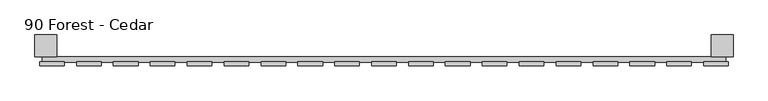
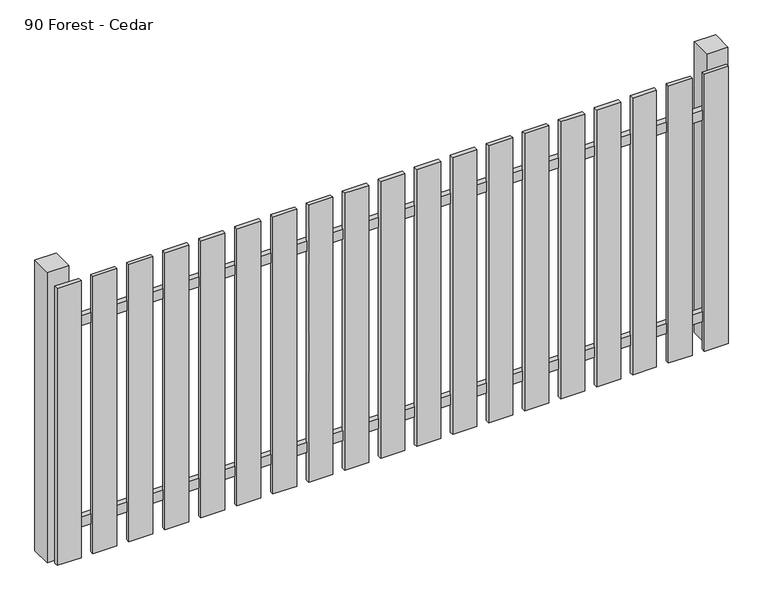
"""IFC4 building model written with IfcOpenShell, lengths in millimetres: railing geometry, 90 Forest - Cedar."""

import ifcopenshell
import ifcopenshell.guid

model = None  # the IFC model being written
_history = None  # IfcOwnerHistory: only IFC2X3 demands one
_inside = {}  # id of a spatial element -> (the spatial element, [elements in it])
_under = {}  # id of a project, library or spatial element -> (it, [spatial elements below it])
_declared = {}  # id of a project -> (the project, [libraries it declares])
_typed = {}  # id of a type object -> (the type object, [elements of that type])
_made_of = {}  # id of a material, layer set ... -> (it, [elements and type objects made of it])


def new_model(schema):
    """Start an empty IFC model of exactly this schema.

    Asked for "IFC4X3", IfcOpenShell would pick the latest addendum, in which some entities
    have other attributes; the version numbers below select the first issue.
    IFC2X3 requires an IfcOwnerHistory on every rooted entity: one is made here for all.
    """
    global model, _history
    if schema == "IFC4X3":
        model = ifcopenshell.file(schema_version=(4, 3, 0, 0))
    else:
        model = ifcopenshell.file(schema=schema)
    _inside.clear()
    _under.clear()
    _declared.clear()
    _typed.clear()
    _made_of.clear()
    _history = None
    if model.schema == "IFC2X3":
        org = make("IfcOrganization", Name="unknown")
        user = make(
            "IfcPersonAndOrganization",
            ThePerson=make("IfcPerson", FamilyName="unknown"),
            TheOrganization=org,
        )
        app = make(
            "IfcApplication",
            ApplicationDeveloper=org,
            Version="unknown",
            ApplicationFullName="unknown",
            ApplicationIdentifier="unknown",
        )
        _history = make(
            "IfcOwnerHistory",
            OwningUser=user,
            OwningApplication=app,
            ChangeAction="ADDED",
            CreationDate=0,
        )
    return model


def make(cls, **values):
    """One entity of the class cls with the attributes given. An attribute that is None is left unset."""
    return model.create_entity(
        cls, **{name: value for name, value in values.items() if value is not None}
    )


def rooted(cls, **values):
    """An entity with a GlobalId (a new one), such as an element, a storey or a relation."""
    return make(cls, GlobalId=ifcopenshell.guid.new(), OwnerHistory=_history, **values)


def si_unit(unit_type, name, prefix=None):
    """IfcSIUnit, for example si_unit("LENGTHUNIT", "METRE", prefix="MILLI")."""
    return make("IfcSIUnit", UnitType=unit_type, Prefix=prefix, Name=name)


def assignment(units):
    """IfcUnitAssignment: the units of a project."""
    return None if units is None else make("IfcUnitAssignment", Units=units)


def point(xyz):
    """IfcCartesianPoint."""
    return None if xyz is None else make("IfcCartesianPoint", Coordinates=xyz)


def direction(xyz):
    """IfcDirection."""
    return None if xyz is None else make("IfcDirection", DirectionRatios=xyz)


def frame(location, z_axis=None, x_axis=None):
    """IfcAxis2Placement3D, a coordinate frame: its origin and axes. An axis left out is left unset."""
    return make(
        "IfcAxis2Placement3D",
        Location=point(location),
        Axis=direction(z_axis),
        RefDirection=direction(x_axis),
    )


def origin():
    """The frame at (0, 0, 0) with its axes left unset."""
    return frame((0.0, 0.0, 0.0))


def origin_with_axes():
    """The frame at (0, 0, 0) with the z axis (0, 0, 1) and the x axis (1, 0, 0) written out."""
    return frame((0.0, 0.0, 0.0), z_axis=(0.0, 0.0, 1.0), x_axis=(1.0, 0.0, 0.0))


def place(relative_to, where):
    """IfcLocalPlacement: puts the frame where relative to a parent placement (None: the world)."""
    return make(
        "IfcLocalPlacement", PlacementRelTo=relative_to, RelativePlacement=where
    )


def context(
    kind, dimensions, precision=None, world=None, true_north=None, identifier=None
):
    """IfcGeometricRepresentationContext, for example the 3D "Model" context."""
    return make(
        "IfcGeometricRepresentationContext",
        ContextIdentifier=identifier,
        ContextType=kind,
        CoordinateSpaceDimension=dimensions,
        Precision=precision,
        WorldCoordinateSystem=world,
        TrueNorth=true_north,
    )


def project(units=None, contexts=None):
    """IfcProject with its units and contexts."""
    return rooted(
        "IfcProject",
        Name="project",
        RepresentationContexts=contexts,
        UnitsInContext=assignment(units),
    )


def spatial(cls, under=None, at=None, **own):
    """A site, building, storey or space (cls), placed at a placement, below another one or the project."""
    s = rooted(cls, ObjectPlacement=at, **own)
    if under is not None:
        _under.setdefault(under.id(), (under, []))[1].append(s)
    return s


def polyline(points):
    """IfcPolyline through the points."""
    return make("IfcPolyline", Points=[point(p) for p in points])


def outline(outer, holes=None, kind="AREA"):
    """IfcArbitraryClosedProfileDef: a profile drawn as a closed curve; with holes, ...WithVoids."""
    if holes is None:
        return make("IfcArbitraryClosedProfileDef", ProfileType=kind, OuterCurve=outer)
    return make(
        "IfcArbitraryProfileDefWithVoids",
        ProfileType=kind,
        OuterCurve=outer,
        InnerCurves=holes,
    )


def extrude(swept, where, along, depth):
    """IfcExtrudedAreaSolid: the profile swept, set in the frame where, extruded along a direction by depth."""
    return make(
        "IfcExtrudedAreaSolid",
        SweptArea=swept,
        Position=where,
        ExtrudedDirection=direction(along),
        Depth=depth,
    )


def shape(context_of_items, identifier, shape_type, items):
    """IfcShapeRepresentation: the items that make up one representation, for example the "Body"."""
    return make(
        "IfcShapeRepresentation",
        ContextOfItems=context_of_items,
        RepresentationIdentifier=identifier,
        RepresentationType=shape_type,
        Items=items,
    )


def source(mapping_origin, context_of_items, identifier, shape_type, items):
    """IfcRepresentationMap: a shape defined once, which mapped items show again and again."""
    return make(
        "IfcRepresentationMap",
        MappingOrigin=mapping_origin,
        MappedRepresentation=shape(context_of_items, identifier, shape_type, items),
    )


def transform(
    local_origin,
    x_axis=None,
    y_axis=None,
    z_axis=None,
    scale=None,
    scale2=None,
    scale3=None,
    uniform=True,
):
    """IfcCartesianTransformationOperator3D, or its non-uniform kind. x_axis, y_axis, z_axis: its Axis1, 2, 3."""
    if uniform:
        return make(
            "IfcCartesianTransformationOperator3D",
            Axis1=direction(x_axis),
            Axis2=direction(y_axis),
            LocalOrigin=point(local_origin),
            Scale=scale,
            Axis3=direction(z_axis),
        )
    return make(
        "IfcCartesianTransformationOperator3DnonUniform",
        Axis1=direction(x_axis),
        Axis2=direction(y_axis),
        LocalOrigin=point(local_origin),
        Scale=scale,
        Axis3=direction(z_axis),
        Scale2=scale2,
        Scale3=scale3,
    )


def mapped(mapping_source, mapping_target):
    """IfcMappedItem: shows the shape of a source again, moved by a transform."""
    return make(
        "IfcMappedItem", MappingSource=mapping_source, MappingTarget=mapping_target
    )


def made_of(thing, what):
    """Note that an element or type object is made of a material, layer set ...; save() writes the relation."""
    if what is not None:
        _made_of.setdefault(what.id(), (what, []))[1].append(thing)
    return thing


def element(
    cls,
    number,
    at=None,
    inside=None,
    cuts=None,
    type_object=None,
    material=None,
    context=None,
    identifier="Body",
    shape_type=None,
    held_by="IfcProductDefinitionShape",
    body=None,
    shapes=None,
    **own,
):
    """One element of the class cls, such as IfcWall. Its Tag is "e" and its number.

    at: its placement. inside: the storey or other place that contains it. cuts: it is an
    opening in that element (IfcRelVoidsElement). A single representation is given by context,
    identifier, shape_type and body (its items); several are given by shapes. held_by: the class
    of the entity that holds the representations. save() writes the other relations.
    """
    e = rooted(cls, Tag="e%d" % number, ObjectPlacement=at, **own)
    if body is not None:
        shapes = [shape(context, identifier, shape_type, body)]
    if shapes is not None:
        e.Representation = make(held_by, Representations=shapes)
    if inside is not None:
        _inside.setdefault(inside.id(), (inside, []))[1].append(e)
    if cuts is not None:
        rooted(
            "IfcRelVoidsElement", RelatingBuildingElement=cuts, RelatedOpeningElement=e
        )
    if type_object is not None:
        _typed.setdefault(type_object.id(), (type_object, []))[1].append(e)
    return made_of(e, material)


def aggregate(whole, parts):
    """IfcRelAggregates: a whole, such as a stair, and the parts it consists of."""
    return rooted("IfcRelAggregates", RelatingObject=whole, RelatedObjects=parts)


def save(model, path):
    """Write the relations noted so far, then the file.

    IfcRelAggregates (storeys below a building ...), IfcRelContainedInSpatialStructure (elements
    in a storey), IfcRelDefinesByType, IfcRelAssociatesMaterial and IfcRelDeclares: one each for
    every whole, place, type object, material and project.
    """
    for whole, parts in _under.values():
        aggregate(whole, parts)
    for where, things in _inside.values():
        rooted(
            "IfcRelContainedInSpatialStructure",
            RelatedElements=things,
            RelatingStructure=where,
        )
    for kind, things in _typed.values():
        rooted("IfcRelDefinesByType", RelatedObjects=things, RelatingType=kind)
    for what, things in _made_of.values():
        rooted("IfcRelAssociatesMaterial", RelatedObjects=things, RelatingMaterial=what)
    for by, libraries in _declared.values():
        rooted("IfcRelDeclares", RelatingContext=by, RelatedDefinitions=libraries)
    model.write(path)


def railing_90_forest_cedar_a9b18a58(model_context):
    return source(origin(), model_context, "Body", "SweptSolid", [
        extrude(outline(polyline([(1287.4299228, -81939.0267127), (1287.4299228, -81919.0267127), (3787.4299228, -81919.0267127), (3787.4299228, -81939.0267127), (1287.4299228, -81939.0267127)])), frame((0.0, 0.0, 110.0), z_axis=(0.0, 0.0, 1.0), x_axis=(1.0, 0.0, 0.0)), (0.0, 0.0, 1.0), 40.0),
        extrude(outline(polyline([(1287.4299228, -81939.0267127), (1287.4299228, -81919.0267127), (3787.4299228, -81919.0267127), (3787.4299228, -81939.0267127), (1287.4299228, -81939.0267127)])), frame((0.0, 0.0, 910.0), z_axis=(0.0, 0.0, 1.0), x_axis=(1.0, 0.0, 0.0)), (0.0, 0.0, 1.0), 40.0),
        extrude(outline(polyline([(3707.4299228, -81952.5267127), (3707.4299228, -81937.5267127), (3797.4299228, -81937.5267127), (3797.4299228, -81952.5267127), (3707.4299228, -81952.5267127)])), origin_with_axes(), (0.0, 0.0, 1.0), 1100.0),
        extrude(outline(polyline([(3572.4299228, -81952.5267127), (3572.4299228, -81937.5267127), (3662.4299228, -81937.5267127), (3662.4299228, -81952.5267127), (3572.4299228, -81952.5267127)])), origin_with_axes(), (0.0, 0.0, 1.0), 1100.0),
        extrude(outline(polyline([(3437.4299228, -81952.5267127), (3437.4299228, -81937.5267127), (3527.4299228, -81937.5267127), (3527.4299228, -81952.5267127), (3437.4299228, -81952.5267127)])), origin_with_axes(), (0.0, 0.0, 1.0), 1100.0),
        extrude(outline(polyline([(3302.4299228, -81952.5267127), (3302.4299228, -81937.5267127), (3392.4299228, -81937.5267127), (3392.4299228, -81952.5267127), (3302.4299228, -81952.5267127)])), origin_with_axes(), (0.0, 0.0, 1.0), 1100.0),
        extrude(outline(polyline([(3167.4299228, -81952.5267127), (3167.4299228, -81937.5267127), (3257.4299228, -81937.5267127), (3257.4299228, -81952.5267127), (3167.4299228, -81952.5267127)])), origin_with_axes(), (0.0, 0.0, 1.0), 1100.0),
        extrude(outline(polyline([(3032.4299228, -81952.5267127), (3032.4299228, -81937.5267127), (3122.4299228, -81937.5267127), (3122.4299228, -81952.5267127), (3032.4299228, -81952.5267127)])), origin_with_axes(), (0.0, 0.0, 1.0), 1100.0),
        extrude(outline(polyline([(2897.4299228, -81952.5267127), (2897.4299228, -81937.5267127), (2987.4299228, -81937.5267127), (2987.4299228, -81952.5267127), (2897.4299228, -81952.5267127)])), origin_with_axes(), (0.0, 0.0, 1.0), 1100.0),
        extrude(outline(polyline([(2762.4299228, -81952.5267127), (2762.4299228, -81937.5267127), (2852.4299228, -81937.5267127), (2852.4299228, -81952.5267127), (2762.4299228, -81952.5267127)])), origin_with_axes(), (0.0, 0.0, 1.0), 1100.0),
        extrude(outline(polyline([(2627.4299228, -81952.5267127), (2627.4299228, -81937.5267127), (2717.4299228, -81937.5267127), (2717.4299228, -81952.5267127), (2627.4299228, -81952.5267127)])), origin_with_axes(), (0.0, 0.0, 1.0), 1100.0),
        extrude(outline(polyline([(2492.4299228, -81952.5267127), (2492.4299228, -81937.5267127), (2582.4299228, -81937.5267127), (2582.4299228, -81952.5267127), (2492.4299228, -81952.5267127)])), origin_with_axes(), (0.0, 0.0, 1.0), 1100.0),
        extrude(outline(polyline([(2357.4299228, -81952.5267127), (2357.4299228, -81937.5267127), (2447.4299228, -81937.5267127), (2447.4299228, -81952.5267127), (2357.4299228, -81952.5267127)])), origin_with_axes(), (0.0, 0.0, 1.0), 1100.0),
        extrude(outline(polyline([(2222.4299228, -81952.5267127), (2222.4299228, -81937.5267127), (2312.4299228, -81937.5267127), (2312.4299228, -81952.5267127), (2222.4299228, -81952.5267127)])), origin_with_axes(), (0.0, 0.0, 1.0), 1100.0),
        extrude(outline(polyline([(2087.4299228, -81952.5267127), (2087.4299228, -81937.5267127), (2177.4299228, -81937.5267127), (2177.4299228, -81952.5267127), (2087.4299228, -81952.5267127)])), origin_with_axes(), (0.0, 0.0, 1.0), 1100.0),
        extrude(outline(polyline([(1952.4299228, -81952.5267127), (1952.4299228, -81937.5267127), (2042.4299228, -81937.5267127), (2042.4299228, -81952.5267127), (1952.4299228, -81952.5267127)])), origin_with_axes(), (0.0, 0.0, 1.0), 1100.0),
        extrude(outline(polyline([(1817.4299228, -81952.5267127), (1817.4299228, -81937.5267127), (1907.4299228, -81937.5267127), (1907.4299228, -81952.5267127), (1817.4299228, -81952.5267127)])), origin_with_axes(), (0.0, 0.0, 1.0), 1100.0),
        extrude(outline(polyline([(1682.4299228, -81952.5267127), (1682.4299228, -81937.5267127), (1772.4299228, -81937.5267127), (1772.4299228, -81952.5267127), (1682.4299228, -81952.5267127)])), origin_with_axes(), (0.0, 0.0, 1.0), 1100.0),
        extrude(outline(polyline([(1547.4299228, -81952.5267127), (1547.4299228, -81937.5267127), (1637.4299228, -81937.5267127), (1637.4299228, -81952.5267127), (1547.4299228, -81952.5267127)])), origin_with_axes(), (0.0, 0.0, 1.0), 1100.0),
        extrude(outline(polyline([(1412.4299228, -81952.5267127), (1412.4299228, -81937.5267127), (1502.4299228, -81937.5267127), (1502.4299228, -81952.5267127), (1412.4299228, -81952.5267127)])), origin_with_axes(), (0.0, 0.0, 1.0), 1100.0),
        extrude(outline(polyline([(1277.4299228, -81952.5267127), (1277.4299228, -81937.5267127), (1367.4299228, -81937.5267127), (1367.4299228, -81952.5267127), (1277.4299228, -81952.5267127)])), origin_with_axes(), (0.0, 0.0, 1.0), 1100.0),
        extrude(outline(polyline([(3734.9299228, -81839.0267127), (3814.9299228, -81839.0267127), (3814.9299228, -81919.0267127), (3734.9299228, -81919.0267127), (3734.9299228, -81839.0267127)])), frame((0.0, 0.0, -4.0), z_axis=(0.0, 0.0, 1.0), x_axis=(1.0, 0.0, 0.0)), (0.0, 0.0, 1.0), 1154.0),
        extrude(outline(polyline([(1259.9299228, -81839.0267127), (1339.9299228, -81839.0267127), (1339.9299228, -81919.0267127), (1259.9299228, -81919.0267127), (1259.9299228, -81839.0267127)])), frame((0.0, 0.0, -4.0), z_axis=(0.0, 0.0, 1.0), x_axis=(1.0, 0.0, 0.0)), (0.0, 0.0, 1.0), 1154.0),
    ])


if __name__ == "__main__":
    model = new_model("IFC4")
    model_context = context("Model", 3, world=origin())
    ifc_project = project(units=[si_unit("LENGTHUNIT", "METRE", prefix="MILLI")], contexts=[model_context])
    site = spatial("IfcSite", under=ifc_project)
    building = spatial("IfcBuilding", under=site)
    placement = place(None, origin())
    railing_90_forest_cedar_shape = railing_90_forest_cedar_a9b18a58(model_context)
    element("IfcRailing", 1, ObjectType="90 Forest - Cedar", at=placement, inside=building, context=model_context, shape_type="MappedRepresentation", body=[
        mapped(railing_90_forest_cedar_shape, transform((0.0, 0.0, 0.0), x_axis=(1.0, 0.0, 0.0), y_axis=(0.0, 1.0, 0.0), z_axis=(0.0, 0.0, 1.0))),
    ])
    save(model, "model.ifc")
